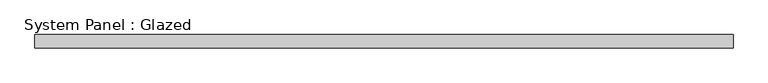
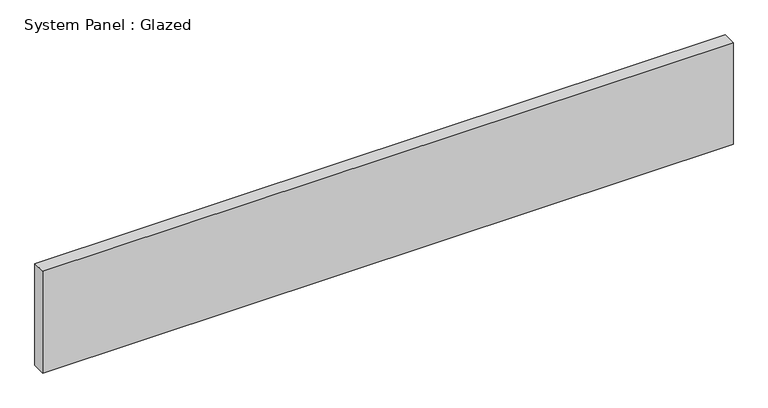
"""IFC4 building model written with IfcOpenShell, lengths in millimetres: plate geometry, System Panel : Glazed."""

from ifc_helpers import new_model, si_unit, origin, origin_with_axes, place, context, project, spatial, polyline, outline, extrude, source, transform, mapped, element, save


def system_panel_glazed_1f70ed8c(model_context):
    return source(origin(), model_context, "Body", "SweptSolid", [
        extrude(outline(polyline([(661.5833333, -44.45), (-661.5833333, -44.45), (-661.5833333, -19.05), (661.5833333, -19.05), (661.5833333, -44.45)])), origin_with_axes(), (0.0, 0.0, 1.0), 206.35),
    ])


if __name__ == "__main__":
    model = new_model("IFC4")
    model_context = context("Model", 3, world=origin())
    ifc_project = project(units=[si_unit("LENGTHUNIT", "METRE", prefix="MILLI")], contexts=[model_context])
    site = spatial("IfcSite", under=ifc_project)
    building = spatial("IfcBuilding", under=site)
    placement = place(None, origin())
    system_panel_glazed_shape = system_panel_glazed_1f70ed8c(model_context)
    element("IfcPlate", 1, ObjectType="System Panel : Glazed", at=placement, inside=building, context=model_context, shape_type="MappedRepresentation", body=[
        mapped(system_panel_glazed_shape, transform((0.0, 0.0, 0.0), x_axis=(1.0, 0.0, 0.0), y_axis=(0.0, 1.0, 0.0), z_axis=(0.0, 0.0, 1.0))),
    ])
    save(model, "model.ifc")
